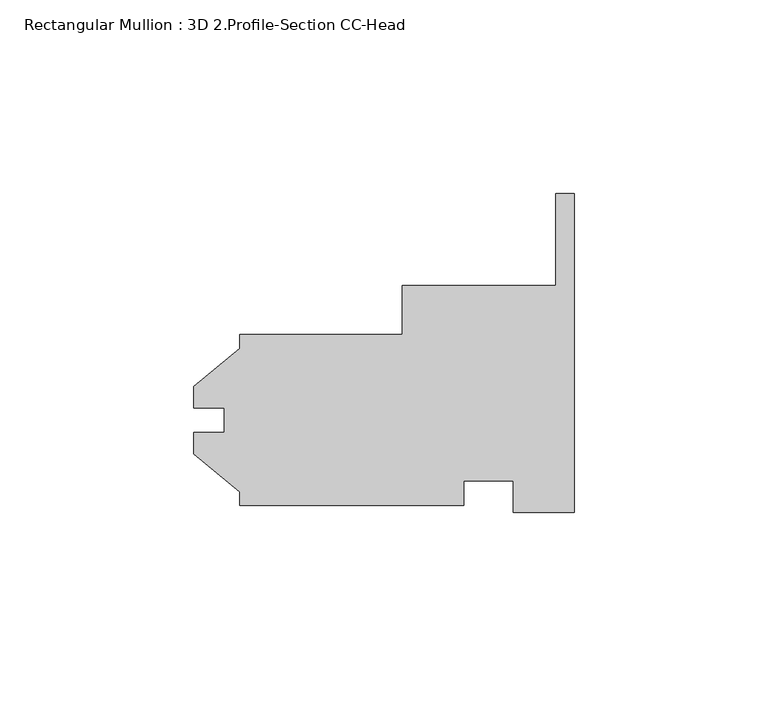
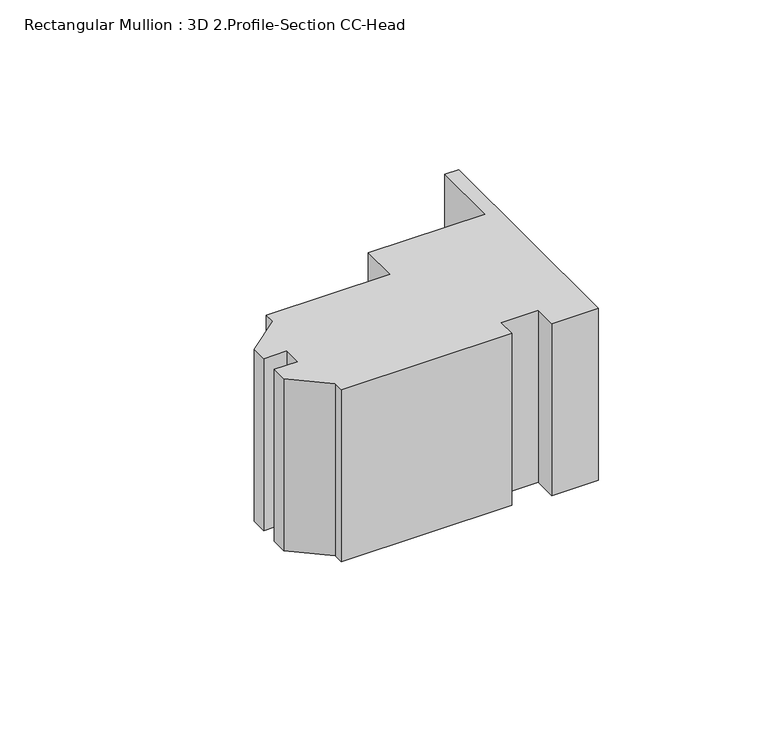
"""IFC4 building model written with IfcOpenShell, lengths in millimetres: member geometry, Rectangular Mullion : 3D 2.Profile-Section CC-Head."""

from ifc_helpers import new_model, si_unit, frame, origin, place, context, project, spatial, polyline, outline, extrude, source, transform, mapped, element, save


def rectangular_mullion_3d_2_profile_section_cc_head_543c8e55(model_context):
    return source(origin(), model_context, "Body", "SweptSolid", [
        extrude(outline(polyline([(0.0, 58.6007021), (0.0, -23.8349979), (-15.875, -23.8349979), (-15.875, -15.7069979), (-28.575, -15.7069979), (-28.575, -22.1204979), (-86.5124, -22.1204979), (-86.5124, -18.5413339), (-98.41865, -8.7727979), (-98.41865, -3.1974979), (-90.4748, -3.1974979), (-90.4748, 3.1525021), (-98.41865, 3.1525021), (-98.41865, 8.7278021), (-86.5124, 18.4963381), (-86.5124, 22.0755021), (-44.45, 22.0755021), (-44.45, 34.7755021), (-4.7752, 34.7755021), (-4.7752, 58.6007021), (0.0, 58.6007021)])), frame((0.0, 0.0, -61.9125), z_axis=(0.0, 0.0, 1.0), x_axis=(1.0, 0.0, 0.0)), (0.0, 0.0, 1.0), 61.9125),
    ])


if __name__ == "__main__":
    model = new_model("IFC4")
    model_context = context("Model", 3, world=origin())
    ifc_project = project(units=[si_unit("LENGTHUNIT", "METRE", prefix="MILLI")], contexts=[model_context])
    site = spatial("IfcSite", under=ifc_project)
    building = spatial("IfcBuilding", under=site)
    placement = place(None, origin())
    rectangular_mullion_3d_2_profile_section_cc_head_shape = rectangular_mullion_3d_2_profile_section_cc_head_543c8e55(model_context)
    element("IfcMember", 1, ObjectType="Rectangular Mullion : 3D 2.Profile-Section CC-Head", at=placement, inside=building, context=model_context, shape_type="MappedRepresentation", body=[
        mapped(rectangular_mullion_3d_2_profile_section_cc_head_shape, transform((0.0, 0.0, 0.0), x_axis=(1.0, 0.0, 0.0), y_axis=(0.0, 1.0, 0.0), z_axis=(0.0, 0.0, 1.0))),
    ])
    save(model, "model.ifc")
